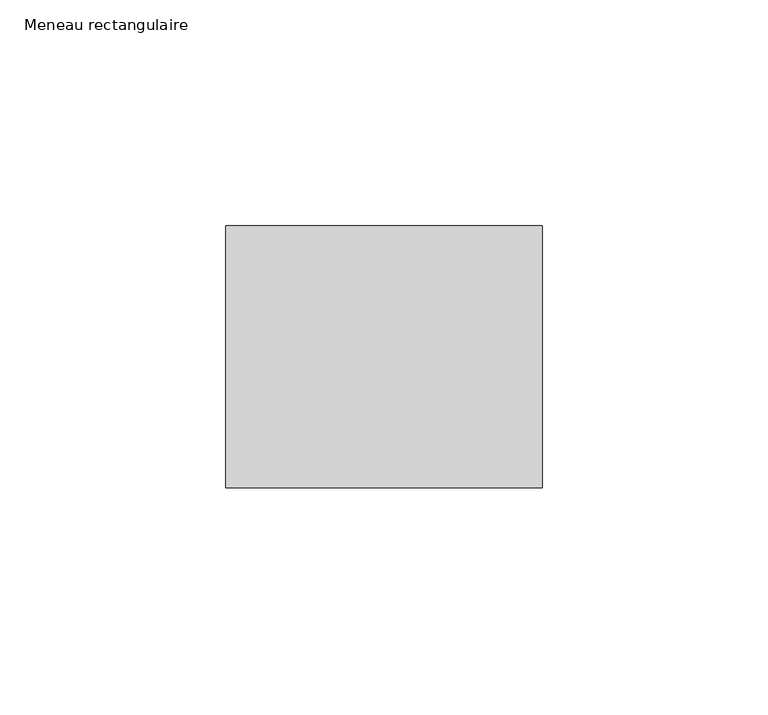
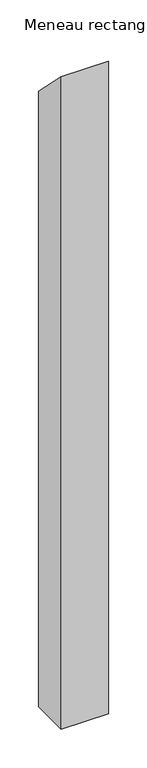
"""IFC4 building model written with IfcOpenShell, lengths in millimetres: member geometry, Meneau rectangulaire."""

from ifc_helpers import new_model, si_unit, frame, origin, place, context, project, spatial, polyline, outline, extrude, source, transform, mapped, element, save


def meneau_rectangulaire_5377870f(model_context):
    return source(origin(), model_context, "Body", "SweptSolid", [
        extrude(outline(polyline([(-29.0, 29.0), (29.0, -29.0), (29.0, -995.6707161), (-29.0, -995.6707161), (-29.0, 29.0)])), frame((-70.0, 0.0, 0.0), z_axis=(1.0, 0.0, 0.0), x_axis=(0.0, 1.0, 0.0)), (0.0, 0.0, 1.0), 70.0),
    ])


if __name__ == "__main__":
    model = new_model("IFC4")
    model_context = context("Model", 3, world=origin())
    ifc_project = project(units=[si_unit("LENGTHUNIT", "METRE", prefix="MILLI")], contexts=[model_context])
    site = spatial("IfcSite", under=ifc_project)
    building = spatial("IfcBuilding", under=site)
    placement = place(None, origin())
    meneau_rectangulaire_shape = meneau_rectangulaire_5377870f(model_context)
    element("IfcMember", 1, ObjectType="Meneau rectangulaire", at=placement, inside=building, context=model_context, shape_type="MappedRepresentation", body=[
        mapped(meneau_rectangulaire_shape, transform((0.0, 0.0, 0.0), x_axis=(1.0, 0.0, 0.0), y_axis=(0.0, 1.0, 0.0), z_axis=(0.0, 0.0, 1.0))),
    ])
    save(model, "model.ifc")
